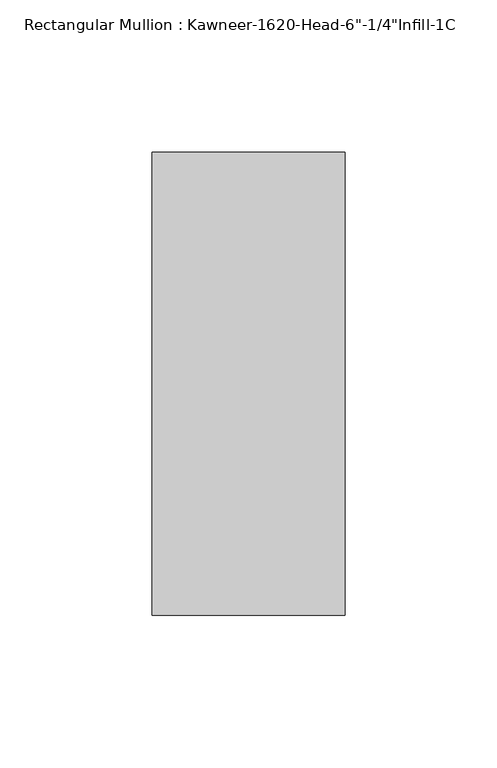
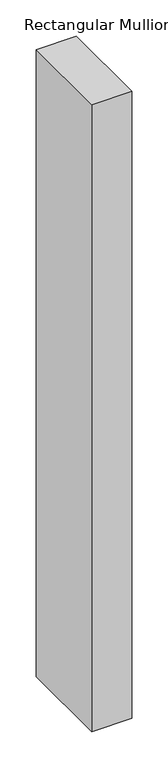
"""IFC4 building model written with IfcOpenShell, lengths in millimetres: member geometry."""

from ifc_helpers import new_model, si_unit, frame, origin, place, context, project, spatial, polyline, outline, extrude, source, transform, mapped, element, save


def member_06dc6216(model_context):
    return source(origin(), model_context, "Body", "SweptSolid", [
        extrude(outline(polyline([(-63.5, 28.575), (0.0, 28.575), (0.0, -123.825), (-63.5, -123.825), (-63.5, 28.575)])), frame((0.0, 0.0, -1054.1), z_axis=(0.0, 0.0, 1.0), x_axis=(1.0, 0.0, 0.0)), (0.0, 0.0, 1.0), 1054.1),
    ])


if __name__ == "__main__":
    model = new_model("IFC4")
    model_context = context("Model", 3, world=origin())
    ifc_project = project(units=[si_unit("LENGTHUNIT", "METRE", prefix="MILLI")], contexts=[model_context])
    site = spatial("IfcSite", under=ifc_project)
    building = spatial("IfcBuilding", under=site)
    placement = place(None, origin())
    member_shape = member_06dc6216(model_context)
    element("IfcMember", 1, ObjectType="Rectangular Mullion : Kawneer-1620-Head-6\"-1/4\"Infill-1C", at=placement, inside=building, context=model_context, shape_type="MappedRepresentation", body=[
        mapped(member_shape, transform((0.0, 0.0, 0.0), x_axis=(1.0, 0.0, 0.0), y_axis=(0.0, 1.0, 0.0), z_axis=(0.0, 0.0, 1.0))),
    ])
    save(model, "model.ifc")
